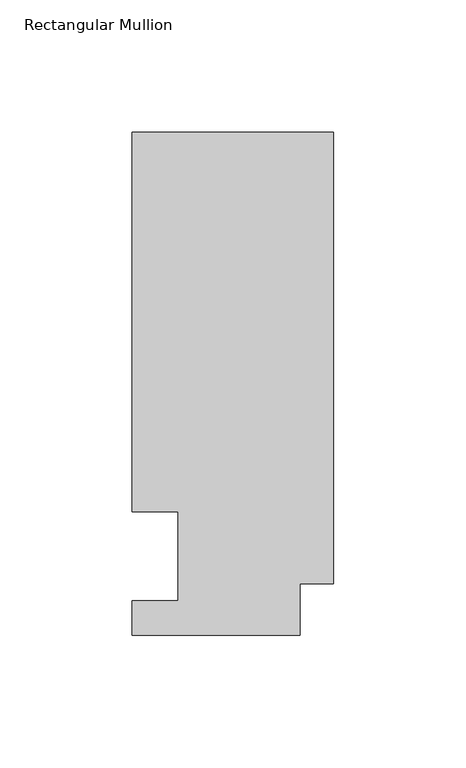
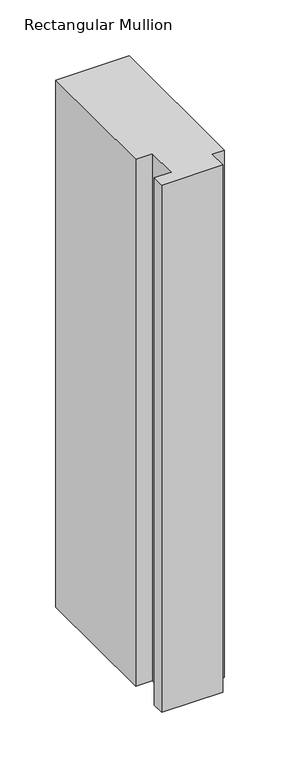
"""IFC4 building model written with IfcOpenShell, lengths in millimetres: member geometry, Rectangular Mullion."""

from ifc_helpers import new_model, si_unit, frame, origin, place, context, project, spatial, polyline, outline, extrude, source, transform, mapped, element, save


def rectangular_mullion_a963bbce(model_context):
    return source(origin(), model_context, "Body", "SweptSolid", [
        extrude(outline(polyline([(-76.2000001, 190.2801312), (0.0, 190.2801312), (0.0, 19.5667312), (-12.7, 19.5667312), (-12.7, 0.041758), (-76.2, 0.041758), (-76.2, 13.224358), (-58.7375002, 13.224358), (-58.7375002, 46.7447302), (-76.2000001, 46.7447302), (-76.2000001, 190.2801312)])), frame((0.0, 0.0, -577.8499997), z_axis=(0.0, 0.0, 1.0), x_axis=(1.0, 0.0, 0.0)), (0.0, 0.0, 1.0), 577.8499997),
    ])


if __name__ == "__main__":
    model = new_model("IFC4")
    model_context = context("Model", 3, world=origin())
    ifc_project = project(units=[si_unit("LENGTHUNIT", "METRE", prefix="MILLI")], contexts=[model_context])
    site = spatial("IfcSite", under=ifc_project)
    building = spatial("IfcBuilding", under=site)
    placement = place(None, origin())
    rectangular_mullion_shape = rectangular_mullion_a963bbce(model_context)
    element("IfcMember", 1, ObjectType="Rectangular Mullion", at=placement, inside=building, context=model_context, shape_type="MappedRepresentation", body=[
        mapped(rectangular_mullion_shape, transform((0.0, 0.0, 0.0), x_axis=(1.0, 0.0, 0.0), y_axis=(0.0, 1.0, 0.0), z_axis=(0.0, 0.0, 1.0))),
    ])
    save(model, "model.ifc")
